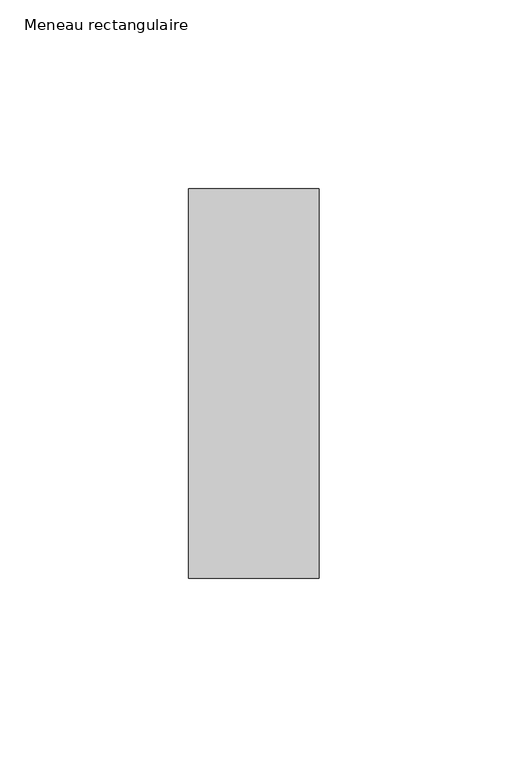
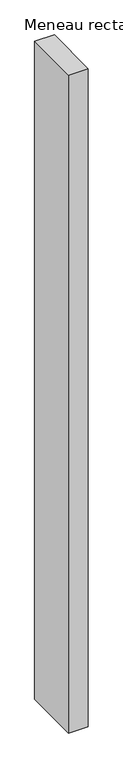
"""IFC4 building model written with IfcOpenShell, lengths in millimetres: member geometry, Meneau rectangulaire."""

from ifc_helpers import new_model, si_unit, frame, origin, place, context, project, spatial, polyline, outline, extrude, source, transform, mapped, element, save


def meneau_rectangulaire_e894dc95(model_context):
    return source(origin(), model_context, "Body", "SweptSolid", [
        extrude(outline(polyline([(-34.5, 51.5), (0.0, 51.5), (0.0, -51.5), (-34.5, -51.5), (-34.5, 51.5)])), frame((0.0, 0.0, -1220.1250002), z_axis=(0.0, 0.0, 1.0), x_axis=(1.0, 0.0, 0.0)), (0.0, 0.0, 1.0), 1220.1250002),
    ])


if __name__ == "__main__":
    model = new_model("IFC4")
    model_context = context("Model", 3, world=origin())
    ifc_project = project(units=[si_unit("LENGTHUNIT", "METRE", prefix="MILLI")], contexts=[model_context])
    site = spatial("IfcSite", under=ifc_project)
    building = spatial("IfcBuilding", under=site)
    placement = place(None, origin())
    meneau_rectangulaire_shape = meneau_rectangulaire_e894dc95(model_context)
    element("IfcMember", 1, ObjectType="Meneau rectangulaire", at=placement, inside=building, context=model_context, shape_type="MappedRepresentation", body=[
        mapped(meneau_rectangulaire_shape, transform((0.0, 0.0, 0.0), x_axis=(1.0, 0.0, 0.0), y_axis=(0.0, 1.0, 0.0), z_axis=(0.0, 0.0, 1.0))),
    ])
    save(model, "model.ifc")
